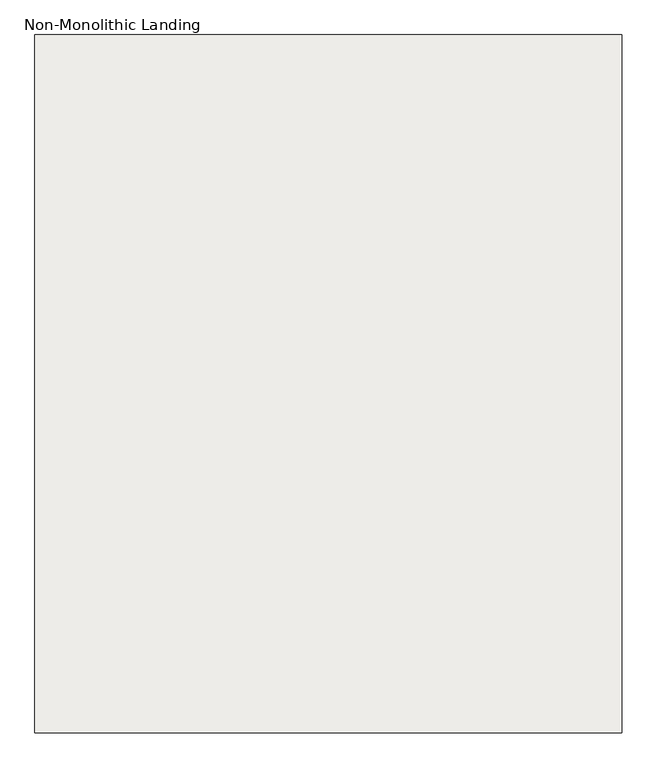
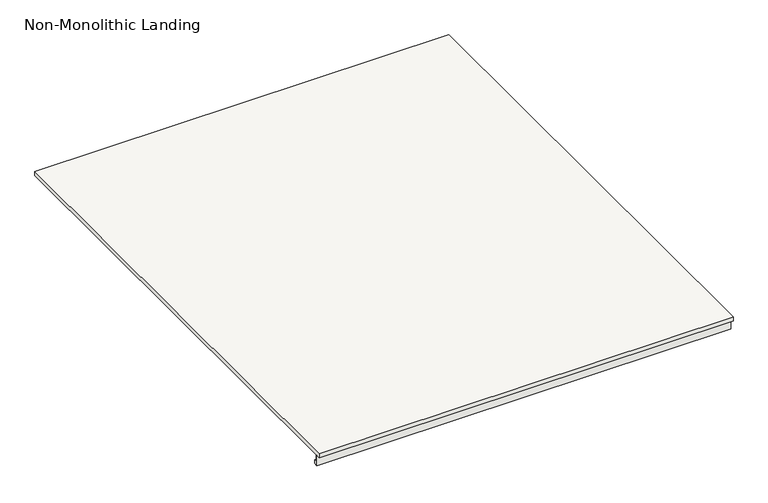
"""IFC4 building model written with IfcOpenShell, lengths in millimetres: slab geometry, Non-Monolithic Landing."""

from ifc_helpers import new_model, si_unit, frame, origin, place, context, project, spatial, polyline, outline, extrude, source, transform, mapped, element, save


def non_monolithic_landing_20c1b295(model_context):
    return source(origin(), model_context, "Body", "SweptSolid", [
        extrude(outline(polyline([(3425.7653131, 5638.0), (3425.7653131, 5628.0), (2249.0596675, 5628.0), (2249.0596675, 5611.3650264), (2254.9596352, 5611.3780294), (2254.9596352, 5602.1193807), (2245.7653131, 5602.1193807), (2245.7653131, 5628.0), (2235.7653131, 5628.0), (2235.7653131, 5638.0), (3425.7653131, 5638.0)])), frame((-1158.8300828, 0.0, 0.0), z_axis=(1.0, 0.0, 0.0), x_axis=(0.0, 1.0, 0.0)), (0.0, 0.0, 1.0), 1000.0),
    ])


if __name__ == "__main__":
    model = new_model("IFC4")
    model_context = context("Model", 3, world=origin())
    ifc_project = project(units=[si_unit("LENGTHUNIT", "METRE", prefix="MILLI")], contexts=[model_context])
    site = spatial("IfcSite", under=ifc_project)
    building = spatial("IfcBuilding", under=site)
    placement = place(None, origin())
    non_monolithic_landing_shape = non_monolithic_landing_20c1b295(model_context)
    element("IfcSlab", 1, ObjectType="Non-Monolithic Landing", at=placement, inside=building, context=model_context, shape_type="MappedRepresentation", body=[
        mapped(non_monolithic_landing_shape, transform((0.0, 0.0, 0.0), x_axis=(1.0, 0.0, 0.0), y_axis=(0.0, 1.0, 0.0), z_axis=(0.0, 0.0, 1.0))),
    ])
    save(model, "model.ifc")
